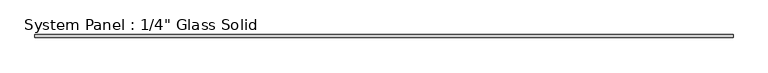
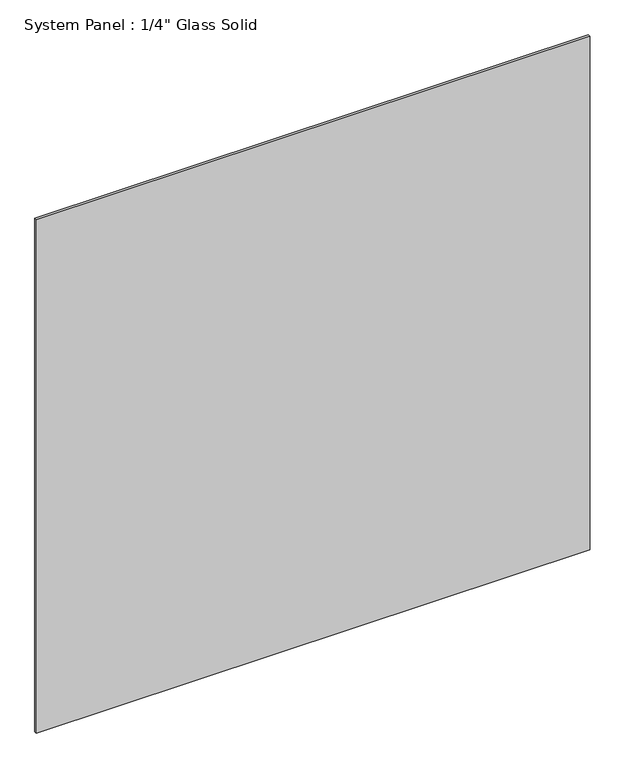
"""IFC4 building model written with IfcOpenShell, lengths in millimetres: plate geometry."""

from ifc_helpers import new_model, si_unit, origin, origin_with_axes, place, context, project, spatial, polyline, outline, extrude, source, transform, mapped, element, save


def plate_605ce328(model_context):
    return source(origin(), model_context, "Body", "SweptSolid", [
        extrude(outline(polyline([(720.7764199, -3.175), (-720.7764199, -3.175), (-720.7764199, 3.175), (720.7764199, 3.175), (720.7764199, -3.175)])), origin_with_axes(), (0.0, 0.0, 1.0), 1412.7661731),
    ])


if __name__ == "__main__":
    model = new_model("IFC4")
    model_context = context("Model", 3, world=origin())
    ifc_project = project(units=[si_unit("LENGTHUNIT", "METRE", prefix="MILLI")], contexts=[model_context])
    site = spatial("IfcSite", under=ifc_project)
    building = spatial("IfcBuilding", under=site)
    placement = place(None, origin())
    plate_shape = plate_605ce328(model_context)
    element("IfcPlate", 1, ObjectType="System Panel : 1/4\" Glass Solid", at=placement, inside=building, context=model_context, shape_type="MappedRepresentation", body=[
        mapped(plate_shape, transform((0.0, 0.0, 0.0), x_axis=(1.0, 0.0, 0.0), y_axis=(0.0, 1.0, 0.0), z_axis=(0.0, 0.0, 1.0))),
    ])
    save(model, "model.ifc")
